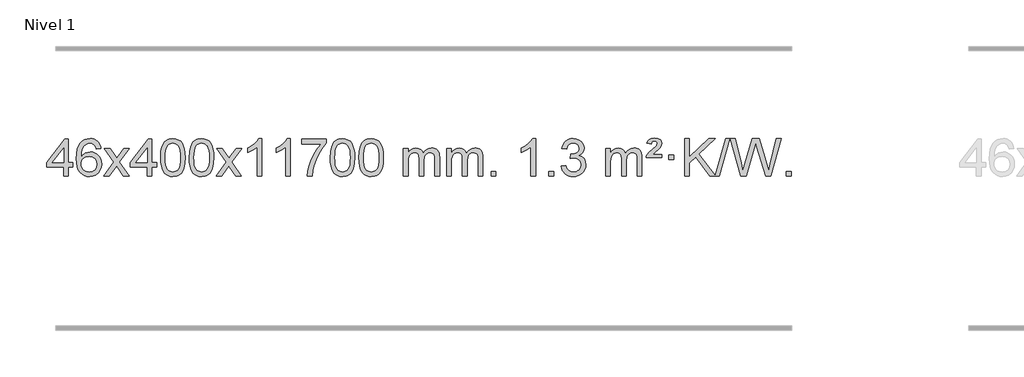
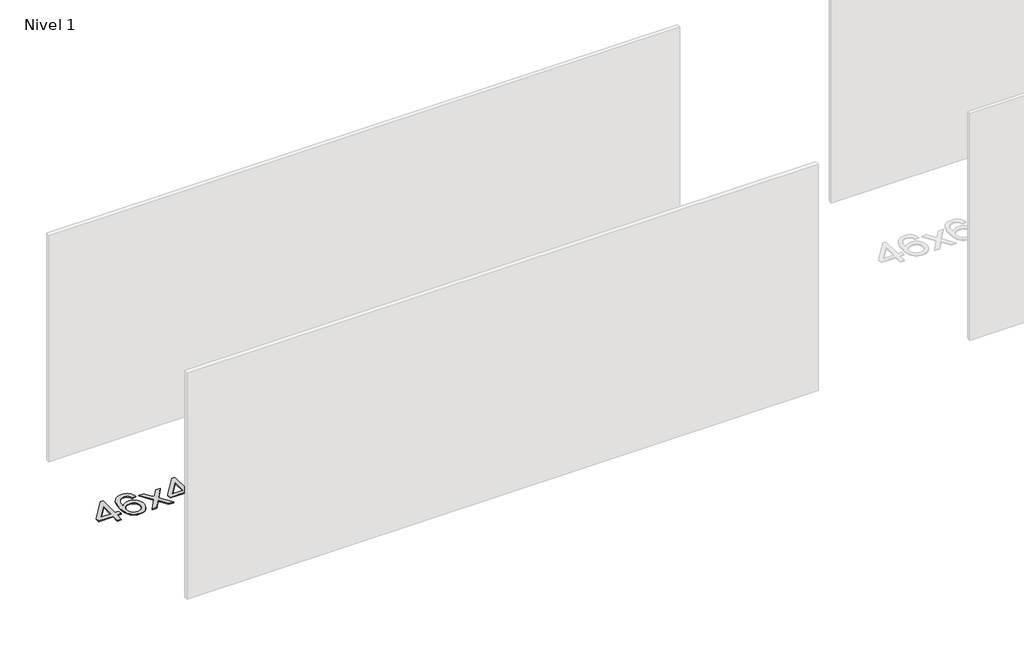
# One storey, part 11 of 12: 1 proxy.
"""IFC4 building model written with IfcOpenShell, lengths in millimetres."""

from ifc_helpers import new_model, si_unit, origin, origin_with_axes, place, context, project, spatial, polyline, outline, extrude, element, save

model = new_model("IFC4")

# Units and contexts
model_context = context("Model", 3, world=origin())
ifc_project = project(units=[si_unit("LENGTHUNIT", "METRE", prefix="MILLI")], contexts=[model_context])

# Site, building, storey
site = spatial("IfcSite", under=ifc_project)
building = spatial("IfcBuilding", under=site)
storey = spatial("IfcBuildingStorey", under=building, Name="Nivel 1", Elevation=0.0)

# Proxy
placement = place(None, origin())
element("IfcBuildingElementProxy", 1, Name="Texto de modelo 1", ObjectType="Texto de modelo 1", at=placement, inside=storey, context=model_context, shape_type="SweptSolid", body=[
    extrude(outline(polyline([(-11546.7519314, 2608.420547), (-11546.7519314, 2702.5983378), (-11728.8289935, 2702.5983378), (-11728.8289935, 2752.8264928), (-11534.1948926, 3003.9672682), (-11496.5237763, 3003.9672682), (-11496.5237763, 2752.8264928), (-11446.2956212, 2752.8264928), (-11446.2956212, 2702.5983378), (-11496.5237763, 2702.5983378), (-11496.5237763, 2608.420547), (-11546.7519314, 2608.420547)]), holes=[polyline([(-11546.7519314, 2752.8264928), (-11546.7519314, 2908.0236439), (-11667.0248183, 2752.8264928), (-11546.7519314, 2752.8264928)])]), origin_with_axes(), (0.0, 0.0, 1.0), 10.0),
    extrude(outline(polyline([(-11144.9266908, 2903.5109581), (-11195.1548459, 2897.2324387), (-11203.2482498, 2922.125787), (-11214.1866077, 2939.1219352), (-11236.970766, 2954.7937082), (-11264.5128647, 2960.0176325), (-11287.8611086, 2956.9764747), (-11309.8359265, 2947.8530012), (-11328.7082728, 2928.6372983), (-11344.1225284, 2902.1865829), (-11354.5335889, 2864.772984), (-11358.3963499, 2812.6686307), (-11338.2486793, 2836.1762902), (-11314.1033576, 2852.7432427), (-11287.3092857, 2862.565692), (-11259.215364, 2865.8398418), (-11235.0823051, 2863.601893), (-11212.8131816, 2856.8880466), (-11192.4079936, 2845.6983025), (-11173.8667411, 2830.0326609), (-11158.4586168, 2810.8230894), (-11147.4528138, 2789.0015557), (-11140.849332, 2764.5680599), (-11138.6481714, 2737.5226018), (-11142.7929752, 2701.5560055), (-11155.2273867, 2668.213634), (-11174.9213361, 2639.9357713), (-11200.8447541, 2619.1627013), (-11231.820418, 2606.397196), (-11266.6711057, 2602.1420276), (-11296.6136344, 2604.9624563), (-11323.6560268, 2613.4237421), (-11347.7982827, 2627.5258853), (-11369.0404022, 2647.2688857), (-11386.3584472, 2673.4866092), (-11398.7284793, 2707.0129217), (-11406.1504985, 2747.8478232), (-11408.6245049, 2795.9913136), (-11405.8776527, 2849.9657337), (-11397.637096, 2896.0306908), (-11383.9028349, 2934.1861851), (-11364.6748692, 2964.4322165), (-11343.8343542, 2984.4756538), (-11319.6706385, 2998.7923948), (-11292.1837221, 3007.3824394), (-11261.373605, 3010.2457876), (-11238.2399589, 3008.4738227), (-11217.301342, 3003.1579278), (-11198.5577543, 2994.2981031), (-11182.0091959, 2981.8943485), (-11168.1032565, 2966.3635969), (-11157.2875258, 2948.1227814), (-11149.5620039, 2927.1719017), (-11144.9266908, 2903.5109581)]), holes=[polyline([(-11358.3963499, 2738.3074168), (-11355.4900821, 2716.0505561), (-11346.7712788, 2694.7992395), (-11333.2332214, 2676.527767), (-11315.8691912, 2663.2104388), (-11294.9121802, 2655.0802467), (-11270.5951803, 2652.3701827), (-11237.4490126, 2657.9865145), (-11223.5338761, 2665.0069292), (-11211.3907046, 2674.8355099), (-11201.5406642, 2687.0737176), (-11194.504921, 2701.3230135), (-11188.8763265, 2735.8548701), (-11194.4313446, 2769.0010379), (-11201.3751173, 2782.6218688), (-11211.096399, 2794.274531), (-11223.2763587, 2803.6095366), (-11237.5961654, 2810.2773978), (-11272.6553195, 2815.6116867), (-11305.7524363, 2810.2773978), (-11333.4294251, 2794.274531), (-11344.3524547, 2782.7751529), (-11352.1546187, 2769.6141746), (-11356.8359171, 2754.7915958), (-11358.3963499, 2738.3074168)])]), origin_with_axes(), (0.0, 0.0, 1.0), 10.0),
    extrude(outline(polyline([(-11113.5340939, 2608.420547), (-11006.2106531, 2756.7505675), (-11107.2555745, 2903.5109581), (-11046.8248254, 2903.5109581), (-10998.0681983, 2832.877615), (-10975.3085655, 2799.5229808), (-10955.5900906, 2826.7952993), (-10900.0644348, 2903.5109581), (-10839.6336857, 2903.5109581), (-10945.7799041, 2756.7505675), (-10843.5577603, 2608.420547), (-10903.9885094, 2608.420547), (-10965.498379, 2697.5951426), (-10976.7800935, 2713.8800523), (-11053.1033448, 2608.420547), (-11113.5340939, 2608.420547)])), origin_with_axes(), (0.0, 0.0, 1.0), 10.0),
    extrude(outline(polyline([(-10648.9236594, 2608.420547), (-10648.9236594, 2702.5983378), (-10831.0007216, 2702.5983378), (-10831.0007216, 2752.8264928), (-10636.3666207, 3003.9672682), (-10598.6955043, 3003.9672682), (-10598.6955043, 2752.8264928), (-10548.4673493, 2752.8264928), (-10548.4673493, 2702.5983378), (-10598.6955043, 2702.5983378), (-10598.6955043, 2608.420547), (-10648.9236594, 2608.420547)]), holes=[polyline([(-10648.9236594, 2752.8264928), (-10648.9236594, 2908.0236439), (-10769.1965464, 2752.8264928), (-10648.9236594, 2752.8264928)])]), origin_with_axes(), (0.0, 0.0, 1.0), 10.0),
    extrude(outline(polyline([(-10504.5177136, 2806.0958057), (-10500.8266309, 2870.4138412), (-10489.7533828, 2921.7088541), (-10471.408334, 2960.7656593), (-10459.550271, 2975.9990395), (-10445.901849, 2988.3690716), (-10430.4170827, 2997.9401349), (-10413.0499869, 3004.7766086), (-10372.6688065, 3010.2457876), (-10341.717668, 3007.008426), (-10314.003891, 2997.2963414), (-10290.8273253, 2981.4896783), (-10273.4878206, 2959.9685816), (-10260.3912216, 2932.9169922), (-10249.9433729, 2900.5188512), (-10243.1007678, 2859.3773814), (-10240.8198994, 2806.0958057), (-10244.4741939, 2742.1456523), (-10255.4370774, 2690.9732667), (-10273.6717616, 2651.8796734), (-10285.5022334, 2636.6003078), (-10299.1414584, 2624.1658964), (-10314.6446188, 2614.5304538), (-10332.066897, 2607.6479948), (-10372.6688065, 2602.1420276), (-10400.3335326, 2604.5332606), (-10424.8589989, 2611.7069595), (-10446.2452055, 2623.6631243), (-10464.4921525, 2640.4017551), (-10482.0033355, 2670.6600492), (-10494.5113233, 2708.3618224), (-10502.016116, 2753.5070745), (-10504.5177136, 2806.0958057)]), holes=[polyline([(-10454.2895585, 2806.1939076), (-10452.8180305, 2762.5293805), (-10448.4034466, 2727.1851178), (-10441.0458067, 2700.1611196), (-10430.7451108, 2681.4573858), (-10418.2861739, 2668.7317344), (-10404.4538109, 2659.6419835), (-10389.2480218, 2654.1881329), (-10372.6688065, 2652.3701827), (-10356.0895913, 2654.1942643), (-10340.8838021, 2659.6665089), (-10327.0514391, 2668.7869167), (-10314.5925022, 2681.5554876), (-10304.2918063, 2700.2898783), (-10296.9341664, 2727.3077451), (-10292.5195825, 2762.6090882), (-10291.0480545, 2806.1939076), (-10292.4705316, 2848.7026722), (-10296.7379627, 2883.4246011), (-10303.8503479, 2910.3596945), (-10313.8076873, 2929.5079524), (-10326.0581577, 2942.8559375), (-10340.0499363, 2952.3902125), (-10355.7830229, 2958.1107775), (-10373.2574177, 2960.0176325), (-10389.7507938, 2958.3376381), (-10404.6990656, 2953.2976548), (-10418.1022329, 2944.8976825), (-10429.9602959, 2933.1377214), (-10440.6043483, 2912.291075), (-10448.2072429, 2884.1848906), (-10452.7689796, 2848.8191681), (-10454.2895585, 2806.1939076)])]), origin_with_axes(), (0.0, 0.0, 1.0), 10.0),
    extrude(outline(polyline([(-10196.8702638, 2806.0958057), (-10193.1791811, 2870.4138412), (-10182.105933, 2921.7088541), (-10163.7608842, 2960.7656593), (-10151.9028212, 2975.9990395), (-10138.2543992, 2988.3690716), (-10122.7696329, 2997.9401349), (-10105.402537, 3004.7766086), (-10065.0213567, 3010.2457876), (-10034.0702182, 3007.008426), (-10006.3564412, 2997.2963414), (-9983.1798755, 2981.4896783), (-9965.8403708, 2959.9685816), (-9952.7437718, 2932.9169922), (-9942.2959231, 2900.5188512), (-9935.453318, 2859.3773814), (-9933.1724496, 2806.0958057), (-9936.8267441, 2742.1456523), (-9947.7896275, 2690.9732667), (-9966.0243118, 2651.8796734), (-9977.8547836, 2636.6003078), (-9991.4940086, 2624.1658964), (-10006.997169, 2614.5304538), (-10024.4194471, 2607.6479948), (-10065.0213567, 2602.1420276), (-10092.6860827, 2604.5332606), (-10117.2115491, 2611.7069595), (-10138.5977557, 2623.6631243), (-10156.8447027, 2640.4017551), (-10174.3558856, 2670.6600492), (-10186.8638735, 2708.3618224), (-10194.3686662, 2753.5070745), (-10196.8702638, 2806.0958057)]), holes=[polyline([(-10146.6421087, 2806.1939076), (-10145.1705807, 2762.5293805), (-10140.7559968, 2727.1851178), (-10133.3983568, 2700.1611196), (-10123.097661, 2681.4573858), (-10110.6387241, 2668.7317344), (-10096.8063611, 2659.6419835), (-10081.6005719, 2654.1881329), (-10065.0213567, 2652.3701827), (-10048.4421414, 2654.1942643), (-10033.2363523, 2659.6665089), (-10019.4039893, 2668.7869167), (-10006.9450524, 2681.5554876), (-9996.6443565, 2700.2898783), (-9989.2867166, 2727.3077451), (-9984.8721327, 2762.6090882), (-9983.4006047, 2806.1939076), (-9984.8230817, 2848.7026722), (-9989.0905129, 2883.4246011), (-9996.2028981, 2910.3596945), (-10006.1602375, 2929.5079524), (-10018.4107079, 2942.8559375), (-10032.4024864, 2952.3902125), (-10048.1355731, 2958.1107775), (-10065.6099679, 2960.0176325), (-10082.103344, 2958.3376381), (-10097.0516157, 2953.2976548), (-10110.4547831, 2944.8976825), (-10122.3128461, 2933.1377214), (-10132.9568985, 2912.291075), (-10140.559793, 2884.1848906), (-10145.1215298, 2848.8191681), (-10146.6421087, 2806.1939076)])]), origin_with_axes(), (0.0, 0.0, 1.0), 10.0),
    extrude(outline(polyline([(-9908.0583721, 2608.420547), (-9800.7349313, 2756.7505675), (-9901.7798527, 2903.5109581), (-9841.3491036, 2903.5109581), (-9792.5924765, 2832.877615), (-9769.8328437, 2799.5229808), (-9750.1143688, 2826.7952993), (-9694.588713, 2903.5109581), (-9634.1579639, 2903.5109581), (-9740.3041823, 2756.7505675), (-9638.0820385, 2608.420547), (-9698.5127876, 2608.420547), (-9760.0226572, 2697.5951426), (-9771.3043717, 2713.8800523), (-9847.627623, 2608.420547), (-9908.0583721, 2608.420547)])), origin_with_axes(), (0.0, 0.0, 1.0), 10.0),
    extrude(outline(polyline([(-9418.3338601, 2608.420547), (-9468.5620152, 2608.420547), (-9468.5620152, 2921.5617013), (-9489.5312889, 2904.6023413), (-9516.1414199, 2887.6675068), (-9569.0183253, 2862.3081746), (-9569.0183253, 2909.7894775), (-9529.5691127, 2931.2492605), (-9495.3928753, 2956.780271), (-9468.4516506, 2983.9299622), (-9450.7074757, 3010.2457876), (-9418.3338601, 3010.2457876), (-9418.3338601, 2608.420547)])), origin_with_axes(), (0.0, 0.0, 1.0), 10.0),
    extrude(outline(polyline([(-9110.6864103, 2608.420547), (-9160.9145653, 2608.420547), (-9160.9145653, 2921.5617013), (-9181.8838391, 2904.6023413), (-9208.49397, 2887.6675068), (-9261.3708755, 2862.3081746), (-9261.3708755, 2909.7894775), (-9221.9216629, 2931.2492605), (-9187.7454255, 2956.780271), (-9160.8042007, 2983.9299622), (-9143.0600258, 3010.2457876), (-9110.6864103, 3010.2457876), (-9110.6864103, 2608.420547)])), origin_with_axes(), (0.0, 0.0, 1.0), 10.0),
    extrude(outline(polyline([(-8991.394542, 2953.7391131), (-8991.394542, 3003.9672682), (-8727.6967278, 3003.9672682), (-8727.6967278, 2963.353096), (-8765.282005, 2915.785954), (-8802.4994002, 2855.2938912), (-8835.3267369, 2787.3951377), (-8859.7418386, 2717.6079232), (-8871.7102662, 2665.3932053), (-8878.381193, 2608.420547), (-8928.6093481, 2608.420547), (-8923.1769573, 2660.1938065), (-8908.6456185, 2721.7282015), (-8885.4077391, 2786.9536793), (-8853.8557267, 2849.8001868), (-8817.0184762, 2906.6134296), (-8777.9248829, 2953.7391131), (-8991.394542, 2953.7391131)])), origin_with_axes(), (0.0, 0.0, 1.0), 10.0),
    extrude(outline(polyline([(-8683.7470921, 2806.0958057), (-8680.0560094, 2870.4138412), (-8668.9827614, 2921.7088541), (-8650.6377126, 2960.7656593), (-8638.7796496, 2975.9990395), (-8625.1312276, 2988.3690716), (-8609.6464612, 2997.9401349), (-8592.2793654, 3004.7766086), (-8551.8981851, 3010.2457876), (-8520.9470465, 3007.008426), (-8493.2332696, 2997.2963414), (-8470.0567039, 2981.4896783), (-8452.7171992, 2959.9685816), (-8439.6206001, 2932.9169922), (-8429.1727515, 2900.5188512), (-8422.3301463, 2859.3773814), (-8420.049278, 2806.0958057), (-8423.7035725, 2742.1456523), (-8434.6664559, 2690.9732667), (-8452.9011401, 2651.8796734), (-8464.731612, 2636.6003078), (-8478.3708369, 2624.1658964), (-8493.8739974, 2614.5304538), (-8511.2962755, 2607.6479948), (-8551.8981851, 2602.1420276), (-8579.5629111, 2604.5332606), (-8604.0883774, 2611.7069595), (-8625.4745841, 2623.6631243), (-8643.721531, 2640.4017551), (-8661.232714, 2670.6600492), (-8673.7407019, 2708.3618224), (-8681.2454946, 2753.5070745), (-8683.7470921, 2806.0958057)]), holes=[polyline([(-8633.518937, 2806.1939076), (-8632.0474091, 2762.5293805), (-8627.6328251, 2727.1851178), (-8620.2751852, 2700.1611196), (-8609.9744894, 2681.4573858), (-8597.5155525, 2668.7317344), (-8583.6831894, 2659.6419835), (-8568.4774003, 2654.1881329), (-8551.8981851, 2652.3701827), (-8535.3189698, 2654.1942643), (-8520.1131807, 2659.6665089), (-8506.2808176, 2668.7869167), (-8493.8218807, 2681.5554876), (-8483.5211849, 2700.2898783), (-8476.163545, 2727.3077451), (-8471.748961, 2762.6090882), (-8470.2774331, 2806.1939076), (-8471.6999101, 2848.7026722), (-8475.9673412, 2883.4246011), (-8483.0797265, 2910.3596945), (-8493.0370658, 2929.5079524), (-8505.2875363, 2942.8559375), (-8519.2793148, 2952.3902125), (-8535.0124015, 2958.1107775), (-8552.4867962, 2960.0176325), (-8568.9801724, 2958.3376381), (-8583.9284441, 2953.2976548), (-8597.3316115, 2944.8976825), (-8609.1896744, 2933.1377214), (-8619.8337268, 2912.291075), (-8627.4366214, 2884.1848906), (-8631.9983581, 2848.8191681), (-8633.518937, 2806.1939076)])]), origin_with_axes(), (0.0, 0.0, 1.0), 10.0),
    extrude(outline(polyline([(-8376.0996423, 2806.0958057), (-8372.4085596, 2870.4138412), (-8361.3353115, 2921.7088541), (-8342.9902627, 2960.7656593), (-8331.1321997, 2975.9990395), (-8317.4837777, 2988.3690716), (-8301.9990114, 2997.9401349), (-8284.6319156, 3004.7766086), (-8244.2507352, 3010.2457876), (-8213.2995967, 3007.008426), (-8185.5858197, 2997.2963414), (-8162.409254, 2981.4896783), (-8145.0697493, 2959.9685816), (-8131.9731503, 2932.9169922), (-8121.5253016, 2900.5188512), (-8114.6826965, 2859.3773814), (-8112.4018281, 2806.0958057), (-8116.0561226, 2742.1456523), (-8127.0190061, 2690.9732667), (-8145.2536903, 2651.8796734), (-8157.0841621, 2636.6003078), (-8170.7233871, 2624.1658964), (-8186.2265475, 2614.5304538), (-8203.6488257, 2607.6479948), (-8244.2507352, 2602.1420276), (-8271.9154613, 2604.5332606), (-8296.4409276, 2611.7069595), (-8317.8271343, 2623.6631243), (-8336.0740812, 2640.4017551), (-8353.5852642, 2670.6600492), (-8366.093252, 2708.3618224), (-8373.5980447, 2753.5070745), (-8376.0996423, 2806.0958057)]), holes=[polyline([(-8325.8714872, 2806.1939076), (-8324.3999592, 2762.5293805), (-8319.9853753, 2727.1851178), (-8312.6277354, 2700.1611196), (-8302.3270395, 2681.4573858), (-8289.8681026, 2668.7317344), (-8276.0357396, 2659.6419835), (-8260.8299505, 2654.1881329), (-8244.2507352, 2652.3701827), (-8227.67152, 2654.1942643), (-8212.4657308, 2659.6665089), (-8198.6333678, 2668.7869167), (-8186.1744309, 2681.5554876), (-8175.873735, 2700.2898783), (-8168.5160951, 2727.3077451), (-8164.1015112, 2762.6090882), (-8162.6299832, 2806.1939076), (-8164.0524603, 2848.7026722), (-8168.3198914, 2883.4246011), (-8175.4322767, 2910.3596945), (-8185.389616, 2929.5079524), (-8197.6400864, 2942.8559375), (-8211.631865, 2952.3902125), (-8227.3649516, 2958.1107775), (-8244.8393464, 2960.0176325), (-8261.3327225, 2958.3376381), (-8276.2809943, 2953.2976548), (-8289.6841616, 2944.8976825), (-8301.5422246, 2933.1377214), (-8312.186277, 2912.291075), (-8319.7891716, 2884.1848906), (-8324.3509083, 2848.8191681), (-8325.8714872, 2806.1939076)])]), origin_with_axes(), (0.0, 0.0, 1.0), 10.0),
    extrude(outline(polyline([(-7898.9321691, 2608.420547), (-7898.9321691, 2903.5109581), (-7848.704014, 2903.5109581), (-7848.704014, 2854.9505347), (-7833.5963267, 2877.2564463), (-7814.1721574, 2894.7308411), (-7791.0936936, 2906.0248184), (-7765.0231228, 2909.7894775), (-7737.0886167, 2905.951242), (-7714.6968659, 2894.4365355), (-7697.9704978, 2876.0056476), (-7687.0321399, 2851.4188676), (-7668.7238792, 2876.9560094), (-7647.8404446, 2895.196825), (-7624.3818361, 2906.1413143), (-7598.3480536, 2909.7894775), (-7578.2402368, 2908.2719642), (-7560.5910981, 2903.7194245), (-7545.4006374, 2896.1318584), (-7532.6688547, 2885.5092658), (-7522.6042164, 2871.7290194), (-7515.4151891, 2854.6684918), (-7511.1017727, 2834.3276832), (-7509.6639672, 2810.7065934), (-7509.6639672, 2608.420547), (-7559.8921223, 2608.420547), (-7559.8921223, 2789.124183), (-7561.057082, 2814.1769469), (-7564.5519609, 2831.0627305), (-7571.1002604, 2842.6264879), (-7581.4254818, 2851.7131732), (-7594.7060218, 2857.5992851), (-7610.1202774, 2859.5613224), (-7637.3312823, 2854.5336018), (-7659.5145666, 2839.45044), (-7668.1199396, 2827.8805512), (-7674.2666346, 2813.2817674), (-7679.1839906, 2774.9975144), (-7679.1839906, 2608.420547), (-7729.4121457, 2608.420547), (-7729.4121457, 2794.7159894), (-7732.3184135, 2823.1164794), (-7741.0372167, 2843.3745146), (-7756.3778959, 2855.5146204), (-7779.1497914, 2859.5613224), (-7798.5003844, 2856.8635211), (-7816.3303984, 2848.7701172), (-7831.0456782, 2835.4773144), (-7841.0520685, 2817.1813165), (-7846.7910276, 2791.7974589), (-7848.704014, 2757.2410768), (-7848.704014, 2608.420547), (-7898.9321691, 2608.420547)])), origin_with_axes(), (0.0, 0.0, 1.0), 10.0),
    extrude(outline(polyline([(-7434.3217346, 2608.420547), (-7434.3217346, 2903.5109581), (-7384.0935796, 2903.5109581), (-7384.0935796, 2854.9505347), (-7368.9858923, 2877.2564463), (-7349.5617229, 2894.7308411), (-7326.4832591, 2906.0248184), (-7300.4126884, 2909.7894775), (-7272.4781822, 2905.951242), (-7250.0864315, 2894.4365355), (-7233.3600634, 2876.0056476), (-7222.4217054, 2851.4188676), (-7204.1134448, 2876.9560094), (-7183.2300102, 2895.196825), (-7159.7714016, 2906.1413143), (-7133.7376191, 2909.7894775), (-7113.6298024, 2908.2719642), (-7095.9806637, 2903.7194245), (-7080.790203, 2896.1318584), (-7068.0584202, 2885.5092658), (-7057.993782, 2871.7290194), (-7050.8047547, 2854.6684918), (-7046.4913383, 2834.3276832), (-7045.0535328, 2810.7065934), (-7045.0535328, 2608.420547), (-7095.2816879, 2608.420547), (-7095.2816879, 2789.124183), (-7096.4466475, 2814.1769469), (-7099.9415265, 2831.0627305), (-7106.489826, 2842.6264879), (-7116.8150473, 2851.7131732), (-7130.0955874, 2857.5992851), (-7145.509843, 2859.5613224), (-7172.7208479, 2854.5336018), (-7194.9041322, 2839.45044), (-7203.5095052, 2827.8805512), (-7209.6562002, 2813.2817674), (-7214.5735562, 2774.9975144), (-7214.5735562, 2608.420547), (-7264.8017113, 2608.420547), (-7264.8017113, 2794.7159894), (-7267.707979, 2823.1164794), (-7276.4267823, 2843.3745146), (-7291.7674615, 2855.5146204), (-7314.539357, 2859.5613224), (-7333.88995, 2856.8635211), (-7351.719964, 2848.7701172), (-7366.4352438, 2835.4773144), (-7376.4416341, 2817.1813165), (-7382.1805932, 2791.7974589), (-7384.0935796, 2757.2410768), (-7384.0935796, 2608.420547), (-7434.3217346, 2608.420547)])), origin_with_axes(), (0.0, 0.0, 1.0), 10.0),
    extrude(outline(polyline([(-6957.1542614, 2608.420547), (-6957.1542614, 2658.6487021), (-6906.9261064, 2658.6487021), (-6906.9261064, 2608.420547), (-6957.1542614, 2608.420547)])), origin_with_axes(), (0.0, 0.0, 1.0), 10.0),
    extrude(outline(polyline([(-6479.9867882, 2608.420547), (-6530.2149433, 2608.420547), (-6530.2149433, 2921.5617013), (-6551.184217, 2904.6023413), (-6577.794348, 2887.6675068), (-6630.6712534, 2862.3081746), (-6630.6712534, 2909.7894775), (-6591.2220408, 2931.2492605), (-6557.0458035, 2956.780271), (-6530.1045787, 2983.9299622), (-6512.3604038, 3010.2457876), (-6479.9867882, 3010.2457876), (-6479.9867882, 2608.420547)])), origin_with_axes(), (0.0, 0.0, 1.0), 10.0),
    extrude(outline(polyline([(-6335.5808424, 2608.420547), (-6335.5808424, 2658.6487021), (-6285.3526873, 2658.6487021), (-6285.3526873, 2608.420547), (-6335.5808424, 2608.420547)])), origin_with_axes(), (0.0, 0.0, 1.0), 10.0),
    extrude(outline(polyline([(-6203.7319353, 2715.1553765), (-6153.5037802, 2721.4338959), (-6142.2588539, 2689.8696207), (-6125.7900033, 2668.5569905), (-6103.2878879, 2656.4168846), (-6073.9431674, 2652.3701827), (-6039.5094127, 2657.9374636), (-6025.2355912, 2664.8965646), (-6012.9238071, 2674.6393061), (-5995.927659, 2699.5571799), (-5990.2622762, 2729.7725545), (-5995.878608, 2758.4550874), (-6012.7276034, 2781.7174922), (-6038.2340884, 2797.1317478), (-6069.8228891, 2802.269833), (-6105.0414587, 2796.7761285), (-6099.4496524, 2847.0042836), (-6091.4052994, 2846.4156724), (-6061.3125522, 2850.020916), (-6034.4081157, 2860.8366466), (-6023.3348676, 2869.0158897), (-6015.4254047, 2879.1326445), (-6010.679727, 2891.1869112), (-6009.0978344, 2905.1786898), (-6013.6840966, 2926.8714648), (-6027.4428832, 2944.4684869), (-6048.4366824, 2956.1303461), (-6074.7279823, 2960.0176325), (-6101.0683332, 2956.0935579), (-6122.6016926, 2944.3213341), (-6138.3225166, 2924.700961), (-6147.2252608, 2897.2324387), (-6197.4534159, 2903.5109581), (-6191.499859, 2927.4907328), (-6182.6645597, 2948.6132907), (-6170.9475182, 2966.8786317), (-6156.3487343, 2982.286756), (-6139.3280607, 2994.5188323), (-6120.3453497, 3003.2560297), (-6099.4006015, 3008.4983481), (-6076.4938159, 3010.2457876), (-6044.917278, 3006.7999596), (-6015.915914, 2996.4624755), (-5991.4640241, 2980.1530404), (-5973.5359082, 2958.7913592), (-5962.5362365, 2934.1800537), (-5958.8696793, 2908.1217457), (-5962.3522955, 2883.8415341), (-5972.8001442, 2861.8176653), (-5990.0660725, 2843.0556835), (-6014.0029277, 2828.5611329), (-5982.5612798, 2815.8569414), (-5959.2620868, 2794.22548), (-5944.8411126, 2764.8439714), (-5940.0341212, 2728.8896377), (-5942.4376169, 2703.4076782), (-5949.648104, 2679.9368069), (-5961.6655825, 2658.4770238), (-5978.4900524, 2639.028329), (-5998.9872109, 2622.8905722), (-6022.0227552, 2611.363603), (-6047.5966852, 2604.4474215), (-6075.709001, 2602.1420276), (-6101.1173841, 2604.1101963), (-6124.2694243, 2610.0147023), (-6145.1651217, 2619.8555457), (-6163.8044761, 2633.6327264), (-6179.4333295, 2650.5369041), (-6191.2975239, 2669.7587383), (-6199.3970591, 2691.2982292), (-6203.7319353, 2715.1553765)])), origin_with_axes(), (0.0, 0.0, 1.0), 10.0),
    extrude(outline(polyline([(-5726.5644621, 2608.420547), (-5726.5644621, 2903.5109581), (-5676.336307, 2903.5109581), (-5676.336307, 2854.9505347), (-5661.2286197, 2877.2564463), (-5641.8044504, 2894.7308411), (-5618.7259866, 2906.0248184), (-5592.6554158, 2909.7894775), (-5564.7209097, 2905.951242), (-5542.3291589, 2894.4365355), (-5525.6027909, 2876.0056476), (-5514.6644329, 2851.4188676), (-5496.3561722, 2876.9560094), (-5475.4727377, 2895.196825), (-5452.0141291, 2906.1413143), (-5425.9803466, 2909.7894775), (-5405.8725298, 2908.2719642), (-5388.2233911, 2903.7194245), (-5373.0329304, 2896.1318584), (-5360.3011477, 2885.5092658), (-5350.2365094, 2871.7290194), (-5343.0474821, 2854.6684918), (-5338.7340657, 2834.3276832), (-5337.2962603, 2810.7065934), (-5337.2962603, 2608.420547), (-5387.5244153, 2608.420547), (-5387.5244153, 2789.124183), (-5388.689375, 2814.1769469), (-5392.1842539, 2831.0627305), (-5398.7325535, 2842.6264879), (-5409.0577748, 2851.7131732), (-5422.3383148, 2857.5992851), (-5437.7525704, 2859.5613224), (-5464.9635753, 2854.5336018), (-5487.1468596, 2839.45044), (-5495.7522326, 2827.8805512), (-5501.8989276, 2813.2817674), (-5506.8162836, 2774.9975144), (-5506.8162836, 2608.420547), (-5557.0444387, 2608.420547), (-5557.0444387, 2794.7159894), (-5559.9507065, 2823.1164794), (-5568.6695098, 2843.3745146), (-5584.010189, 2855.5146204), (-5606.7820845, 2859.5613224), (-5626.1326774, 2856.8635211), (-5643.9626914, 2848.7701172), (-5658.6779713, 2835.4773144), (-5668.6843615, 2817.1813165), (-5674.4233206, 2791.7974589), (-5676.336307, 2757.2410768), (-5676.336307, 2608.420547), (-5726.5644621, 2608.420547)])), origin_with_axes(), (0.0, 0.0, 1.0), 10.0),
    extrude(outline(polyline([(-5293.3466246, 2809.3331673), (-5289.5206518, 2825.1520931), (-5281.1819933, 2841.0200698), (-5259.6731593, 2866.1586728), (-5227.7164766, 2893.8969753), (-5183.5706372, 2931.273786), (-5176.4337265, 2942.8007552), (-5174.0547563, 2954.6220299), (-5175.9432172, 2966.7130848), (-5181.6085999, 2976.4987459), (-5190.977328, 2982.973469), (-5203.9758252, 2985.1317101), (-5216.4102366, 2983.5130293), (-5225.26393, 2978.656987), (-5231.6896022, 2969.1901569), (-5236.8399501, 2953.7391131), (-5287.0681052, 2960.0176325), (-5276.2278491, 2985.2298119), (-5259.5995829, 3002.7900458), (-5235.834406, 3013.0907417), (-5203.5834178, 3016.524307), (-5167.8007624, 3012.3917659), (-5143.0545668, 2999.9941427), (-5128.6335926, 2981.6613566), (-5123.8266012, 2959.7233269), (-5127.9223541, 2936.8165414), (-5140.2096127, 2915.1850801), (-5160.737428, 2895.3685032), (-5197.2067965, 2867.3113697), (-5222.8113834, 2840.7257642), (-5123.8266012, 2840.7257642), (-5123.8266012, 2809.3331673), (-5293.3466246, 2809.3331673)])), origin_with_axes(), (0.0, 0.0, 1.0), 10.0),
    extrude(outline(polyline([(-5048.4843686, 2784.2190898), (-5048.4843686, 2834.4472448), (-4998.2562135, 2834.4472448), (-4998.2562135, 2784.2190898), (-5048.4843686, 2784.2190898)])), origin_with_axes(), (0.0, 0.0, 1.0), 10.0),
    extrude(outline(polyline([(-4607.6145856, 2608.420547), (-4761.045903, 2811.0990009), (-4828.7361901, 2746.5479735), (-4828.7361901, 2608.420547), (-4878.9643452, 2608.420547), (-4878.9643452, 3010.2457876), (-4828.7361901, 3010.2457876), (-4828.7361901, 2813.5515475), (-4622.7222728, 3010.2457876), (-4552.4813372, 3010.2457876), (-4725.4349259, 2845.0422463), (-4550.781316, 2614.4650668), (-4439.4679883, 3010.2457876), (-4394.1449265, 3010.2457876), (-4507.1582754, 2608.420547), (-4546.2028178, 2608.420547), (-4552.4813372, 2608.420547), (-4607.6145856, 2608.420547)])), origin_with_axes(), (0.0, 0.0, 1.0), 10.0),
    extrude(outline(polyline([(-4279.6600496, 2608.420547), (-4389.2398332, 3010.2457876), (-4337.4420483, 3010.2457876), (-4273.8720395, 2746.155566), (-4254.2516665, 2664.6329159), (-4233.2578673, 2736.7377869), (-4153.5991526, 3010.2457876), (-4078.943633, 3010.2457876), (-4021.0635325, 2811.9819177), (-3996.268286, 2738.4055186), (-3977.9968136, 2664.6329159), (-3958.9650517, 2743.8011212), (-3894.8064317, 3010.2457876), (-3843.0086468, 3010.2457876), (-3952.6865323, 2608.420547), (-4006.3482526, 2608.420547), (-4102.6842845, 2918.4224416), (-4116.12424, 2961.6853642), (-4131.2319273, 2909.5932737), (-4219.0330968, 2608.420547), (-4279.6600496, 2608.420547)])), origin_with_axes(), (0.0, 0.0, 1.0), 10.0),
    extrude(outline(polyline([(-3786.5019723, 2608.420547), (-3786.5019723, 2658.6487021), (-3736.2738173, 2658.6487021), (-3736.2738173, 2608.420547), (-3786.5019723, 2608.420547)])), origin_with_axes(), (0.0, 0.0, 1.0), 10.0),
])

save(model, "model.ifc")
